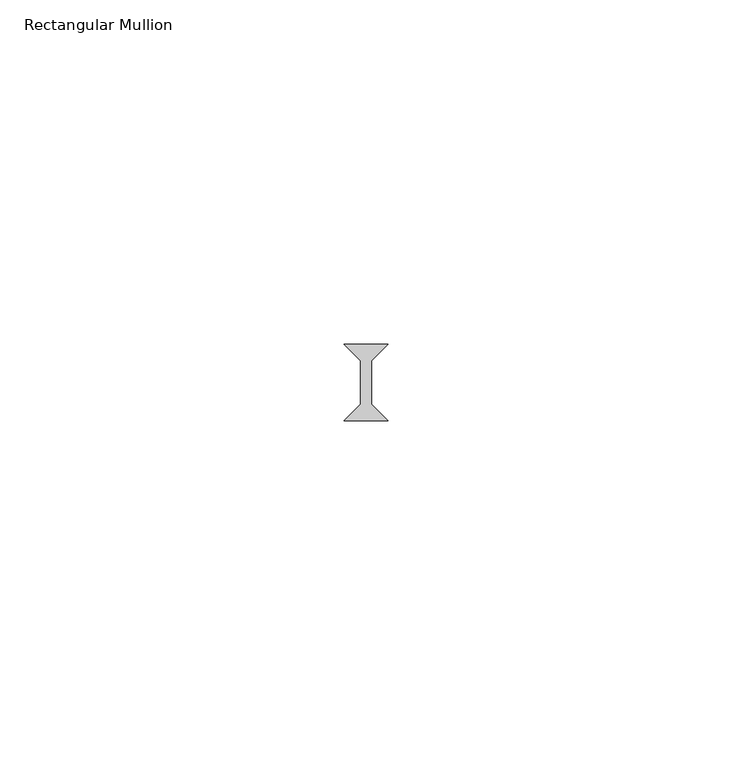
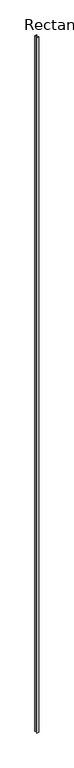
"""IFC4 building model written with IfcOpenShell, lengths in millimetres: member geometry, Rectangular Mullion."""

from ifc_helpers import new_model, si_unit, frame, origin, place, context, project, spatial, polyline, outline, extrude, source, transform, mapped, element, save


def rectangular_mullion_51189ff6(model_context):
    return source(origin(), model_context, "Body", "SweptSolid", [
        extrude(outline(polyline([(3.175, 5.55625), (0.79375, 3.175), (0.79375, -3.175), (3.175, -5.55625), (-3.175, -5.55625), (-0.79375, -3.175), (-0.79375, 3.175), (-3.175, 5.55625), (3.175, 5.55625)])), frame((0.0, 0.0, -2359.025), z_axis=(0.0, 0.0, 1.0), x_axis=(1.0, 0.0, 0.0)), (0.0, 0.0, 1.0), 2359.025),
    ])


if __name__ == "__main__":
    model = new_model("IFC4")
    model_context = context("Model", 3, world=origin())
    ifc_project = project(units=[si_unit("LENGTHUNIT", "METRE", prefix="MILLI")], contexts=[model_context])
    site = spatial("IfcSite", under=ifc_project)
    building = spatial("IfcBuilding", under=site)
    placement = place(None, origin())
    rectangular_mullion_shape = rectangular_mullion_51189ff6(model_context)
    element("IfcMember", 1, ObjectType="Rectangular Mullion", at=placement, inside=building, context=model_context, shape_type="MappedRepresentation", body=[
        mapped(rectangular_mullion_shape, transform((0.0, 0.0, 0.0), x_axis=(1.0, 0.0, 0.0), y_axis=(0.0, 1.0, 0.0), z_axis=(0.0, 0.0, 1.0))),
    ])
    save(model, "model.ifc")
